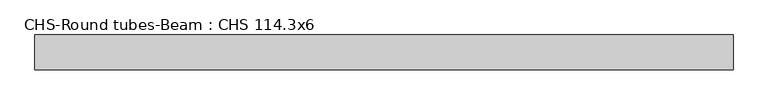
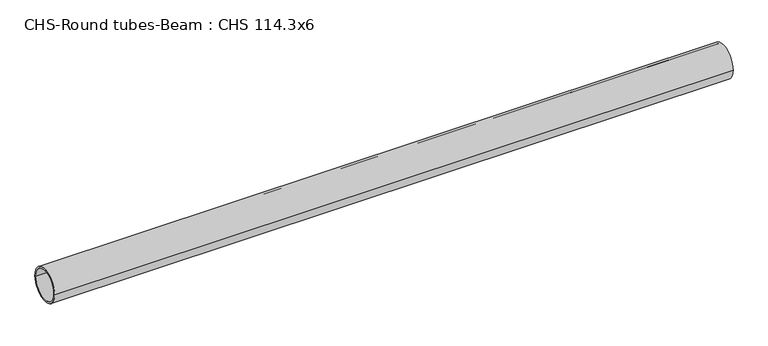
"""IFC4 building model written with IfcOpenShell, lengths in millimetres: beam geometry, CHS-Round tubes-Beam : CHS 114.3x6."""

from ifc_helpers import new_model, si_unit, point, frame, origin, origin_2d, place, context, project, spatial, circle_curve, trimmed, segment, composite_curve, outline, extrude, source, transform, mapped, element, save


def chs_round_tubes_beam_chs_114_3x6_34a361ee(model_context):
    return source(origin(), model_context, "Body", "SweptSolid", [
        extrude(outline(composite_curve([segment(trimmed(circle_curve(origin_2d(), 57.15), [point((57.15, 0.0))], [point((-57.15, 0.0))], False, "CARTESIAN"), True, "CONTINUOUS"), segment(trimmed(circle_curve(origin_2d(), 57.15), [point((-57.15, 0.0))], [point((57.15, 0.0))], False, "CARTESIAN"), True, "CONTINUOUS")], self_intersect=False), holes=[composite_curve([segment(trimmed(circle_curve(origin_2d(), 51.15), [point((51.15, 0.0))], [point((-51.15, 0.0))], True, "CARTESIAN"), True, "CONTINUOUS"), segment(trimmed(circle_curve(origin_2d(), 51.15), [point((-51.15, 0.0))], [point((51.15, 0.0))], True, "CARTESIAN"), True, "CONTINUOUS")], self_intersect=False)]), frame((-1112.3597727, 0.0, 0.0), z_axis=(1.0, 0.0, 0.0), x_axis=(0.0, 1.0, 0.0)), (0.0, 0.0, 1.0), 2287.6154975),
    ])


if __name__ == "__main__":
    model = new_model("IFC4")
    model_context = context("Model", 3, world=origin())
    ifc_project = project(units=[si_unit("LENGTHUNIT", "METRE", prefix="MILLI")], contexts=[model_context])
    site = spatial("IfcSite", under=ifc_project)
    building = spatial("IfcBuilding", under=site)
    placement = place(None, origin())
    chs_round_tubes_beam_chs_114_3x6_shape = chs_round_tubes_beam_chs_114_3x6_34a361ee(model_context)
    element("IfcBeam", 1, ObjectType="CHS-Round tubes-Beam : CHS 114.3x6", at=placement, inside=building, context=model_context, shape_type="MappedRepresentation", body=[
        mapped(chs_round_tubes_beam_chs_114_3x6_shape, transform((0.0, 0.0, 0.0), x_axis=(1.0, 0.0, 0.0), y_axis=(0.0, 1.0, 0.0), z_axis=(0.0, 0.0, 1.0))),
    ])
    save(model, "model.ifc")
